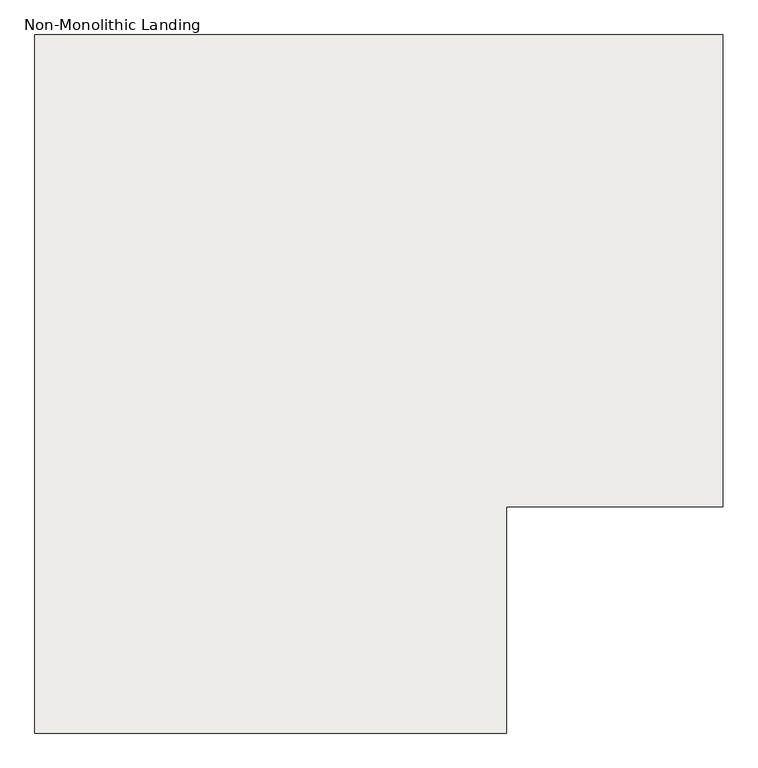
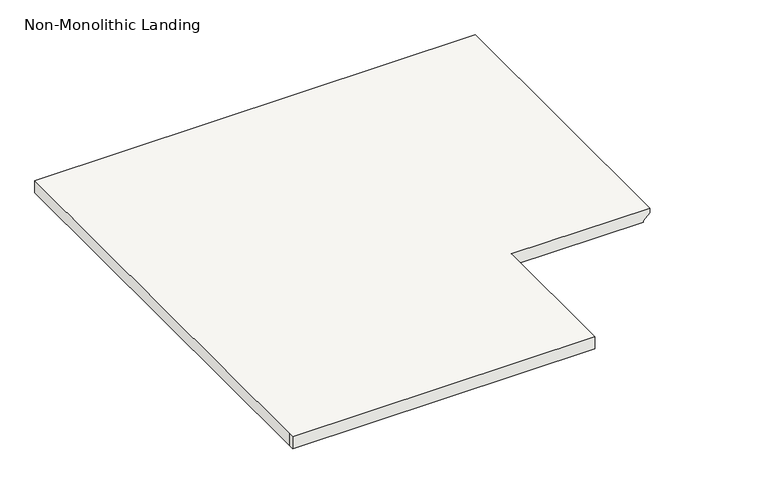
"""IFC4 building model written with IfcOpenShell, lengths in millimetres: slab geometry, Non-Monolithic Landing."""

from ifc_helpers import new_model, si_unit, origin, place, context, project, spatial, faceted_brep, source, transform, mapped, element, save


def non_monolithic_landing_74864503(model_context):
    return source(origin(), model_context, "Body", "Brep", [
        faceted_brep([(4668.4601743, -3020.5507921, 1200.15), (4668.4601743, -3020.5507921, 1219.2), (4668.4601743, -4239.7507921, 1219.2), (4668.4601743, -4239.7507921, 1200.15), (4643.0601743, -3020.5507921, 1174.75), (4643.0601743, -4239.7507921, 1174.75), (2890.4601743, -3020.5507921, 1219.2), (2890.4601743, -4798.5507921, 1219.2), (2890.4601743, -4823.9507921, 1219.2), (4109.6601743, -4823.9507921, 1219.2), (4109.6601743, -4798.5507921, 1219.2), (4109.6601743, -4239.7507921, 1219.2), (4643.0601743, -3020.5507921, 1168.4), (4643.0601743, -4239.7507921, 1168.4), (4109.6601743, -4239.7507921, 1168.4), (4109.6601743, -4798.5507921, 1168.4), (4109.6601743, -4823.9507921, 1168.4), (2890.4601743, -4823.9507921, 1168.4), (2890.4601743, -4798.5507921, 1168.4), (2890.4601743, -3020.5507921, 1168.4)], [[[0, 1, 2, 3]], [[4, 0, 3, 5]], [[6, 7, 8, 9, 10, 11, 2, 1]], [[12, 13, 14, 15, 16, 17, 18, 19]], [[13, 12, 4, 5]], [[6, 1, 0, 4, 12, 19]], [[7, 6, 19, 18]], [[8, 7, 18, 17]], [[9, 8, 17, 16]], [[10, 9, 16, 15]], [[11, 10, 15, 14]], [[2, 11, 14, 13, 5, 3]]]),
    ])


if __name__ == "__main__":
    model = new_model("IFC4")
    model_context = context("Model", 3, world=origin())
    ifc_project = project(units=[si_unit("LENGTHUNIT", "METRE", prefix="MILLI")], contexts=[model_context])
    site = spatial("IfcSite", under=ifc_project)
    building = spatial("IfcBuilding", under=site)
    placement = place(None, origin())
    non_monolithic_landing_shape = non_monolithic_landing_74864503(model_context)
    element("IfcSlab", 1, ObjectType="Non-Monolithic Landing", at=placement, inside=building, context=model_context, shape_type="MappedRepresentation", body=[
        mapped(non_monolithic_landing_shape, transform((0.0, 0.0, 0.0), x_axis=(1.0, 0.0, 0.0), y_axis=(0.0, 1.0, 0.0), z_axis=(0.0, 0.0, 1.0))),
    ])
    save(model, "model.ifc")
